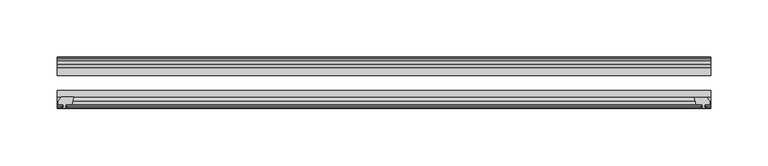
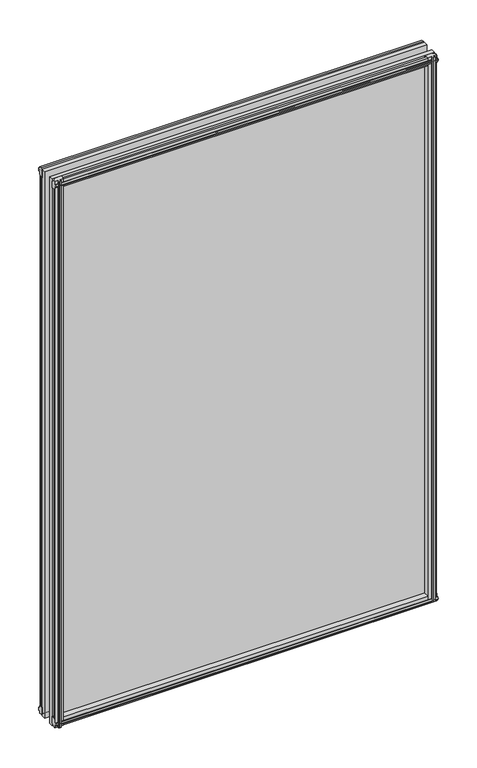
"""IFC4 building model written with IfcOpenShell, lengths in millimetres: plate geometry."""

import ifcopenshell
import ifcopenshell.guid

model = None  # the IFC model being written
_history = None  # IfcOwnerHistory: only IFC2X3 demands one
_inside = {}  # id of a spatial element -> (the spatial element, [elements in it])
_under = {}  # id of a project, library or spatial element -> (it, [spatial elements below it])
_declared = {}  # id of a project -> (the project, [libraries it declares])
_typed = {}  # id of a type object -> (the type object, [elements of that type])
_made_of = {}  # id of a material, layer set ... -> (it, [elements and type objects made of it])


def new_model(schema):
    """Start an empty IFC model of exactly this schema.

    Asked for "IFC4X3", IfcOpenShell would pick the latest addendum, in which some entities
    have other attributes; the version numbers below select the first issue.
    IFC2X3 requires an IfcOwnerHistory on every rooted entity: one is made here for all.
    """
    global model, _history
    if schema == "IFC4X3":
        model = ifcopenshell.file(schema_version=(4, 3, 0, 0))
    else:
        model = ifcopenshell.file(schema=schema)
    _inside.clear()
    _under.clear()
    _declared.clear()
    _typed.clear()
    _made_of.clear()
    _history = None
    if model.schema == "IFC2X3":
        org = make("IfcOrganization", Name="unknown")
        user = make(
            "IfcPersonAndOrganization",
            ThePerson=make("IfcPerson", FamilyName="unknown"),
            TheOrganization=org,
        )
        app = make(
            "IfcApplication",
            ApplicationDeveloper=org,
            Version="unknown",
            ApplicationFullName="unknown",
            ApplicationIdentifier="unknown",
        )
        _history = make(
            "IfcOwnerHistory",
            OwningUser=user,
            OwningApplication=app,
            ChangeAction="ADDED",
            CreationDate=0,
        )
    return model


def make(cls, **values):
    """One entity of the class cls with the attributes given. An attribute that is None is left unset."""
    return model.create_entity(
        cls, **{name: value for name, value in values.items() if value is not None}
    )


def rooted(cls, **values):
    """An entity with a GlobalId (a new one), such as an element, a storey or a relation."""
    return make(cls, GlobalId=ifcopenshell.guid.new(), OwnerHistory=_history, **values)


def si_unit(unit_type, name, prefix=None):
    """IfcSIUnit, for example si_unit("LENGTHUNIT", "METRE", prefix="MILLI")."""
    return make("IfcSIUnit", UnitType=unit_type, Prefix=prefix, Name=name)


def assignment(units):
    """IfcUnitAssignment: the units of a project."""
    return None if units is None else make("IfcUnitAssignment", Units=units)


def point(xyz):
    """IfcCartesianPoint."""
    return None if xyz is None else make("IfcCartesianPoint", Coordinates=xyz)


def direction(xyz):
    """IfcDirection."""
    return None if xyz is None else make("IfcDirection", DirectionRatios=xyz)


def frame(location, z_axis=None, x_axis=None):
    """IfcAxis2Placement3D, a coordinate frame: its origin and axes. An axis left out is left unset."""
    return make(
        "IfcAxis2Placement3D",
        Location=point(location),
        Axis=direction(z_axis),
        RefDirection=direction(x_axis),
    )


def origin():
    """The frame at (0, 0, 0) with its axes left unset."""
    return frame((0.0, 0.0, 0.0))


def place(relative_to, where):
    """IfcLocalPlacement: puts the frame where relative to a parent placement (None: the world)."""
    return make(
        "IfcLocalPlacement", PlacementRelTo=relative_to, RelativePlacement=where
    )


def context(
    kind, dimensions, precision=None, world=None, true_north=None, identifier=None
):
    """IfcGeometricRepresentationContext, for example the 3D "Model" context."""
    return make(
        "IfcGeometricRepresentationContext",
        ContextIdentifier=identifier,
        ContextType=kind,
        CoordinateSpaceDimension=dimensions,
        Precision=precision,
        WorldCoordinateSystem=world,
        TrueNorth=true_north,
    )


def project(units=None, contexts=None):
    """IfcProject with its units and contexts."""
    return rooted(
        "IfcProject",
        Name="project",
        RepresentationContexts=contexts,
        UnitsInContext=assignment(units),
    )


def spatial(cls, under=None, at=None, **own):
    """A site, building, storey or space (cls), placed at a placement, below another one or the project."""
    s = rooted(cls, ObjectPlacement=at, **own)
    if under is not None:
        _under.setdefault(under.id(), (under, []))[1].append(s)
    return s


def polyline(points):
    """IfcPolyline through the points."""
    return make("IfcPolyline", Points=[point(p) for p in points])


def outline(outer, holes=None, kind="AREA"):
    """IfcArbitraryClosedProfileDef: a profile drawn as a closed curve; with holes, ...WithVoids."""
    if holes is None:
        return make("IfcArbitraryClosedProfileDef", ProfileType=kind, OuterCurve=outer)
    return make(
        "IfcArbitraryProfileDefWithVoids",
        ProfileType=kind,
        OuterCurve=outer,
        InnerCurves=holes,
    )


def extrude(swept, where, along, depth):
    """IfcExtrudedAreaSolid: the profile swept, set in the frame where, extruded along a direction by depth."""
    return make(
        "IfcExtrudedAreaSolid",
        SweptArea=swept,
        Position=where,
        ExtrudedDirection=direction(along),
        Depth=depth,
    )


def shape(context_of_items, identifier, shape_type, items):
    """IfcShapeRepresentation: the items that make up one representation, for example the "Body"."""
    return make(
        "IfcShapeRepresentation",
        ContextOfItems=context_of_items,
        RepresentationIdentifier=identifier,
        RepresentationType=shape_type,
        Items=items,
    )


def source(mapping_origin, context_of_items, identifier, shape_type, items):
    """IfcRepresentationMap: a shape defined once, which mapped items show again and again."""
    return make(
        "IfcRepresentationMap",
        MappingOrigin=mapping_origin,
        MappedRepresentation=shape(context_of_items, identifier, shape_type, items),
    )


def transform(
    local_origin,
    x_axis=None,
    y_axis=None,
    z_axis=None,
    scale=None,
    scale2=None,
    scale3=None,
    uniform=True,
):
    """IfcCartesianTransformationOperator3D, or its non-uniform kind. x_axis, y_axis, z_axis: its Axis1, 2, 3."""
    if uniform:
        return make(
            "IfcCartesianTransformationOperator3D",
            Axis1=direction(x_axis),
            Axis2=direction(y_axis),
            LocalOrigin=point(local_origin),
            Scale=scale,
            Axis3=direction(z_axis),
        )
    return make(
        "IfcCartesianTransformationOperator3DnonUniform",
        Axis1=direction(x_axis),
        Axis2=direction(y_axis),
        LocalOrigin=point(local_origin),
        Scale=scale,
        Axis3=direction(z_axis),
        Scale2=scale2,
        Scale3=scale3,
    )


def mapped(mapping_source, mapping_target):
    """IfcMappedItem: shows the shape of a source again, moved by a transform."""
    return make(
        "IfcMappedItem", MappingSource=mapping_source, MappingTarget=mapping_target
    )


def made_of(thing, what):
    """Note that an element or type object is made of a material, layer set ...; save() writes the relation."""
    if what is not None:
        _made_of.setdefault(what.id(), (what, []))[1].append(thing)
    return thing


def element(
    cls,
    number,
    at=None,
    inside=None,
    cuts=None,
    type_object=None,
    material=None,
    context=None,
    identifier="Body",
    shape_type=None,
    held_by="IfcProductDefinitionShape",
    body=None,
    shapes=None,
    **own,
):
    """One element of the class cls, such as IfcWall. Its Tag is "e" and its number.

    at: its placement. inside: the storey or other place that contains it. cuts: it is an
    opening in that element (IfcRelVoidsElement). A single representation is given by context,
    identifier, shape_type and body (its items); several are given by shapes. held_by: the class
    of the entity that holds the representations. save() writes the other relations.
    """
    e = rooted(cls, Tag="e%d" % number, ObjectPlacement=at, **own)
    if body is not None:
        shapes = [shape(context, identifier, shape_type, body)]
    if shapes is not None:
        e.Representation = make(held_by, Representations=shapes)
    if inside is not None:
        _inside.setdefault(inside.id(), (inside, []))[1].append(e)
    if cuts is not None:
        rooted(
            "IfcRelVoidsElement", RelatingBuildingElement=cuts, RelatedOpeningElement=e
        )
    if type_object is not None:
        _typed.setdefault(type_object.id(), (type_object, []))[1].append(e)
    return made_of(e, material)


def aggregate(whole, parts):
    """IfcRelAggregates: a whole, such as a stair, and the parts it consists of."""
    return rooted("IfcRelAggregates", RelatingObject=whole, RelatedObjects=parts)


def save(model, path):
    """Write the relations noted so far, then the file.

    IfcRelAggregates (storeys below a building ...), IfcRelContainedInSpatialStructure (elements
    in a storey), IfcRelDefinesByType, IfcRelAssociatesMaterial and IfcRelDeclares: one each for
    every whole, place, type object, material and project.
    """
    for whole, parts in _under.values():
        aggregate(whole, parts)
    for where, things in _inside.values():
        rooted(
            "IfcRelContainedInSpatialStructure",
            RelatedElements=things,
            RelatingStructure=where,
        )
    for kind, things in _typed.values():
        rooted("IfcRelDefinesByType", RelatedObjects=things, RelatingType=kind)
    for what, things in _made_of.values():
        rooted("IfcRelAssociatesMaterial", RelatedObjects=things, RelatingMaterial=what)
    for by, libraries in _declared.values():
        rooted("IfcRelDeclares", RelatingContext=by, RelatedDefinitions=libraries)
    model.write(path)


def plate_e3874fc8(model_context):
    return source(origin(), model_context, "Body", "SweptSolid", [
        extrude(outline(polyline([(-271.3322819, -83.1453125), (-273.05, -89.4953125), (-278.257, -89.4953125), (-278.638, -91.8755095), (-277.2224709, -91.4155762), (-277.2224709, -92.2167904), (-279.4, -92.9243125), (-281.577529, -92.2167904), (-281.577529, -91.4155762), (-280.162, -91.8755095), (-280.543, -89.4953125), (-284.988, -89.4953125), (-284.988, -86.5489125), (-282.1536578, -83.1453125), (-271.3322819, -83.1453125)])), frame((0.0, 0.0, -12.4587), z_axis=(0.0, 0.0, 1.0), x_axis=(1.0, 0.0, 0.0)), (0.0, 0.0, 1.0), 863.1173999),
        extrude(outline(polyline([(271.3538926, -83.2252021), (282.1752685, -83.2252021), (285.0096107, -86.6288021), (285.0096107, -89.5752021), (280.5646107, -89.5752021), (280.1836107, -91.9553991), (281.5991397, -91.4954658), (281.5991397, -92.29668), (279.4216107, -93.0042021), (277.2440816, -92.29668), (277.2440816, -91.4954658), (278.6596107, -91.9553991), (278.2786107, -89.5752021), (273.0716107, -89.5752021), (271.3538926, -83.2252021)])), frame((0.0, 0.0, -9.0482291), z_axis=(0.0, 0.0, 1.0), x_axis=(1.0, 0.0, 0.0)), (0.0, 0.0, 1.0), 859.7069289),
        extrude(outline(polyline([(-280.6827, -49.0151155), (-282.098229, -49.4750488), (-282.098229, -48.6738346), (-279.9207, -47.9663125), (-277.7431709, -48.6738346), (-277.7431709, -49.4750488), (-279.1587, -49.0151155), (-278.7777, -51.3953125), (-273.5707, -51.3953125), (-271.8529819, -57.7453125), (-282.6743578, -57.7453125), (-285.5087, -54.3417125), (-285.5087, -51.3953125), (-281.0637, -51.3953125), (-280.6827, -49.0151155)])), frame((0.0, 0.0, -12.4587), z_axis=(0.0, 0.0, 1.0), x_axis=(1.0, 0.0, 0.0)), (0.0, 0.0, 1.0), 856.7673999),
        extrude(outline(polyline([(271.8529819, -57.7453125), (273.5707, -51.3953125), (278.7777, -51.3953125), (279.1587, -49.0151155), (277.7431709, -49.4750488), (277.7431709, -48.6738346), (279.9207, -47.9663125), (282.098229, -48.6738346), (282.098229, -49.4750488), (280.6827, -49.0151155), (281.0637, -51.3953125), (285.5087, -51.3953125), (285.5087, -54.3417125), (282.6743578, -57.7453125), (271.8529819, -57.7453125)])), frame((0.0, 0.0, -12.4587), z_axis=(0.0, 0.0, 1.0), x_axis=(1.0, 0.0, 0.0)), (0.0, 0.0, 1.0), 856.7673999),
        extrude(outline(polyline([(-48.6738346, -4.6931709), (-47.9663125, -6.8707), (-48.6738346, -9.0482291), (-49.4750488, -9.0482291), (-49.0151155, -7.6327), (-51.3953125, -8.0137), (-51.3953125, -12.4587), (-54.3417125, -12.4587), (-57.7453125, -9.6243578), (-57.7453125, 1.1970181), (-51.3953125, -0.5207), (-51.3953125, -5.7277), (-49.0151155, -6.1087), (-49.4750488, -4.6931709), (-48.6738346, -4.6931709)])), frame((-285.75, 0.0, 0.0), z_axis=(1.0, 0.0, 0.0), x_axis=(0.0, 1.0, 0.0)), (0.0, 0.0, 1.0), 571.4999999),
        extrude(outline(polyline([(-83.1453125, 1.7177181), (-83.1453125, -9.1036578), (-86.5489125, -11.938), (-89.4953125, -11.938), (-89.4953125, -7.493), (-91.8755095, -7.112), (-91.4155762, -8.5275291), (-92.2167904, -8.5275291), (-92.9243125, -6.35), (-92.2167904, -4.1724709), (-91.4155762, -4.1724709), (-91.8755095, -5.588), (-89.4953125, -5.207), (-89.4953125, 0.0), (-83.1453125, 1.7177181)])), frame((-285.75, 0.0, 0.0), z_axis=(1.0, 0.0, 0.0), x_axis=(0.0, 1.0, 0.0)), (0.0, 0.0, 1.0), 571.4999999),
        extrude(outline(polyline([(-49.0151155, 845.8326999), (-49.4750488, 847.2482289), (-48.6738346, 847.2482289), (-47.9663125, 845.0706999), (-48.6738346, 842.8931708), (-49.4750488, 842.8931708), (-49.0151155, 844.3086999), (-51.3953125, 843.9276999), (-51.3953125, 838.7206999), (-57.7453125, 837.0029818), (-57.7453125, 847.8243577), (-54.3417125, 850.6586999), (-51.3953125, 850.6586999), (-51.3953125, 846.2136999), (-49.0151155, 845.8326999)])), frame((-285.75, 0.0, 0.0), z_axis=(1.0, 0.0, 0.0), x_axis=(0.0, 1.0, 0.0)), (0.0, 0.0, 1.0), 571.4999999),
        extrude(outline(polyline([(-89.4953125, 850.1379999), (-86.5489125, 850.1379999), (-83.1453125, 847.3036577), (-83.1453125, 836.4822818), (-89.4953125, 838.1999999), (-89.4953125, 843.4069999), (-91.8755095, 843.7879999), (-91.4155762, 842.3724708), (-92.2167904, 842.3724708), (-92.9243125, 844.5499999), (-92.2167904, 846.7275289), (-91.4155762, 846.7275289), (-91.8755095, 845.3119999), (-89.4953125, 845.6929999), (-89.4953125, 850.1379999)])), frame((-285.75, 0.0, 0.0), z_axis=(1.0, 0.0, 0.0), x_axis=(0.0, 1.0, 0.0)), (0.0, 0.0, 1.0), 571.4999999),
        extrude(outline(polyline([(-285.75, -57.7453125), (285.75, -57.7453125), (285.75, -64.0953125), (-285.75, -64.0953125), (-285.75, -57.7453125)])), frame((0.0, 0.0, -12.7), z_axis=(0.0, 0.0, 1.0), x_axis=(1.0, 0.0, 0.0)), (0.0, 0.0, 1.0), 863.5999999),
        extrude(outline(polyline([(-285.75, -77.1178925), (285.75, -77.1178925), (285.75, -83.1453125), (-285.75, -83.1453125), (-285.75, -77.1178925)])), frame((0.0, 0.0, -12.7), z_axis=(0.0, 0.0, 1.0), x_axis=(1.0, 0.0, 0.0)), (0.0, 0.0, 1.0), 863.5999999),
    ])


if __name__ == "__main__":
    model = new_model("IFC4")
    model_context = context("Model", 3, world=origin())
    ifc_project = project(units=[si_unit("LENGTHUNIT", "METRE", prefix="MILLI")], contexts=[model_context])
    site = spatial("IfcSite", under=ifc_project)
    building = spatial("IfcBuilding", under=site)
    placement = place(None, origin())
    plate_shape = plate_e3874fc8(model_context)
    element("IfcPlate", 1, at=placement, inside=building, context=model_context, shape_type="MappedRepresentation", body=[
        mapped(plate_shape, transform((0.0, 0.0, 0.0), x_axis=(1.0, 0.0, 0.0), y_axis=(0.0, 1.0, 0.0), z_axis=(0.0, 0.0, 1.0))),
    ])
    save(model, "model.ifc")
